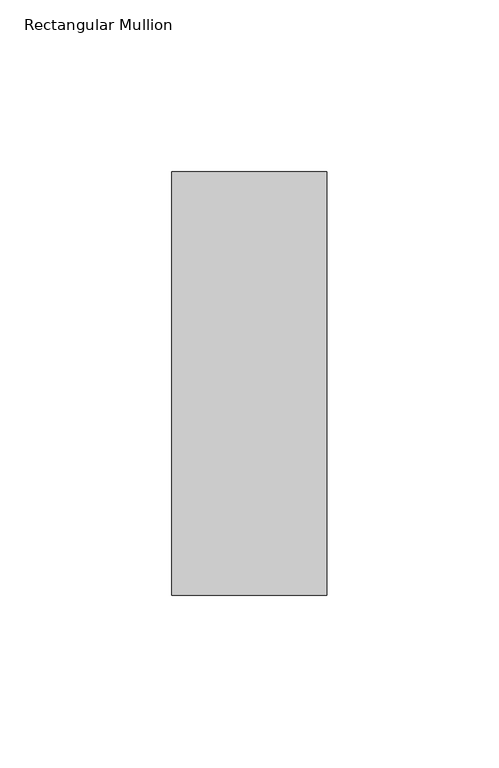
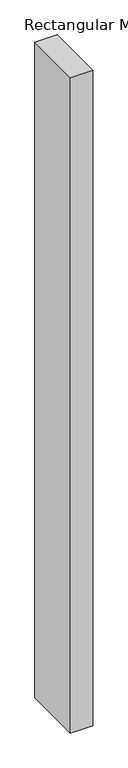
"""IFC4 building model written with IfcOpenShell, lengths in millimetres: member geometry, Rectangular Mullion."""

from ifc_helpers import new_model, si_unit, frame, origin, place, context, project, spatial, polyline, outline, extrude, source, transform, mapped, element, save


def rectangular_mullion_657c6dc5(model_context):
    return source(origin(), model_context, "Body", "SweptSolid", [
        extrude(outline(polyline([(0.0, 77.05), (0.0, -46.05), (-45.0, -46.05), (-45.0, 77.05), (0.0, 77.05)])), frame((0.0, 0.0, -1387.9128906), z_axis=(0.0, 0.0, 1.0), x_axis=(1.0, 0.0, 0.0)), (0.0, 0.0, 1.0), 1387.9128906),
    ])


if __name__ == "__main__":
    model = new_model("IFC4")
    model_context = context("Model", 3, world=origin())
    ifc_project = project(units=[si_unit("LENGTHUNIT", "METRE", prefix="MILLI")], contexts=[model_context])
    site = spatial("IfcSite", under=ifc_project)
    building = spatial("IfcBuilding", under=site)
    placement = place(None, origin())
    rectangular_mullion_shape = rectangular_mullion_657c6dc5(model_context)
    element("IfcMember", 1, ObjectType="Rectangular Mullion", at=placement, inside=building, context=model_context, shape_type="MappedRepresentation", body=[
        mapped(rectangular_mullion_shape, transform((0.0, 0.0, 0.0), x_axis=(1.0, 0.0, 0.0), y_axis=(0.0, 1.0, 0.0), z_axis=(0.0, 0.0, 1.0))),
    ])
    save(model, "model.ifc")
